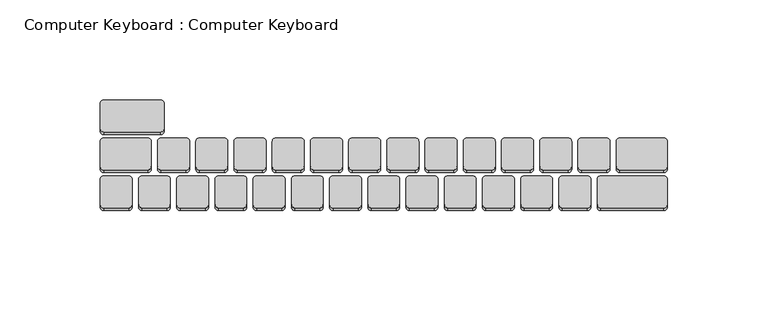
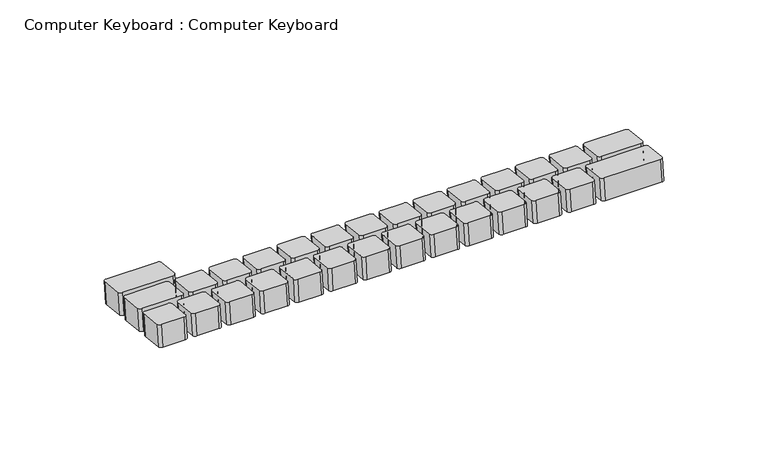
"""IFC4 building model written with IfcOpenShell, lengths in millimetres: proxy geometry, Computer Keyboard : Computer Keyboard."""

from ifc_helpers import new_model, si_unit, point, frame, frame_2d, origin, place, context, project, spatial, polyline, circle_curve, trimmed, segment, composite_curve, outline, extrude, source, transform, mapped, element, save


def computer_keyboard_computer_keyboard_917ad2fe(model_context):
    return source(origin(), model_context, "Body", "SweptSolid", [
        extrude(outline(composite_curve([segment(polyline([(-1.5875, 1.5875), (-1.5875, 30.1625)]), True, "CONTINUOUS"), segment(trimmed(circle_curve(frame_2d((0.0, 30.1625)), 1.5875), [point((-1.5875, 30.1625))], [point((0.0, 31.75))], False, "CARTESIAN"), True, "CONTINUOUS"), segment(polyline([(0.0, 31.75), (12.6999999, 31.75)]), True, "CONTINUOUS"), segment(trimmed(circle_curve(frame_2d((12.6999999, 30.1625)), 1.5875), [point((12.6999999, 31.75))], [point((14.2875, 30.1625))], False, "CARTESIAN"), True, "CONTINUOUS"), segment(polyline([(14.2875, 30.1625), (14.2875, 1.5875)]), True, "CONTINUOUS"), segment(trimmed(circle_curve(frame_2d((12.6999999, 1.5875)), 1.5875), [point((14.2875, 1.5875))], [point((12.6999999, 0.0))], False, "CARTESIAN"), True, "CONTINUOUS"), segment(polyline([(12.6999999, 0.0), (0.0, 0.0)]), True, "CONTINUOUS"), segment(trimmed(circle_curve(frame_2d((0.0, 1.5875)), 1.5875), [point((0.0, 0.0))], [point((-1.5875, 1.5875))], False, "CARTESIAN"), True, "CONTINUOUS")], self_intersect=False)), frame((-320.0625, 290.2002256, 586.8422036), z_axis=(0.0, 0.10653312363427676, 0.9943091539198078), x_axis=(0.0, 0.9943091539198078, -0.10653312363427676)), (0.0, 0.0, 1.0), 12.7),
        extrude(outline(composite_curve([segment(polyline([(-1.5875, 1.5875), (-1.5875, 23.8125)]), True, "CONTINUOUS"), segment(trimmed(circle_curve(frame_2d((0.0, 23.8125)), 1.5875), [point((-1.5875, 23.8125))], [point((0.0, 25.4))], False, "CARTESIAN"), True, "CONTINUOUS"), segment(polyline([(0.0, 25.4), (12.6999999, 25.4)]), True, "CONTINUOUS"), segment(trimmed(circle_curve(frame_2d((12.6999999, 23.8125)), 1.5875), [point((12.6999999, 25.4))], [point((14.2875, 23.8125))], False, "CARTESIAN"), True, "CONTINUOUS"), segment(polyline([(14.2875, 23.8125), (14.2875, 1.5875)]), True, "CONTINUOUS"), segment(trimmed(circle_curve(frame_2d((12.6999999, 1.5875)), 1.5875), [point((14.2875, 1.5875))], [point((12.6999999, 0.0))], False, "CARTESIAN"), True, "CONTINUOUS"), segment(polyline([(12.6999999, 0.0), (0.0, 0.0)]), True, "CONTINUOUS"), segment(trimmed(circle_curve(frame_2d((0.0, 1.5875)), 1.5875), [point((0.0, 0.0))], [point((-1.5875, 1.5875))], False, "CARTESIAN"), True, "CONTINUOUS")], self_intersect=False)), frame((-69.2375, 271.2586362, 588.8716596), z_axis=(0.0, 0.10653312363427676, 0.9943091539198078), x_axis=(0.0, 0.9943091539198078, -0.10653312363427676)), (0.0, 0.0, 1.0), 12.7),
        extrude(outline(composite_curve([segment(polyline([(-1.5875, 1.5875), (-1.5875, 14.2875)]), True, "CONTINUOUS"), segment(trimmed(circle_curve(frame_2d((0.0, 14.2875)), 1.5875), [point((-1.5875, 14.2875))], [point((0.0, 15.875))], False, "CARTESIAN"), True, "CONTINUOUS"), segment(polyline([(0.0, 15.875), (12.6999999, 15.875)]), True, "CONTINUOUS"), segment(trimmed(circle_curve(frame_2d((12.6999999, 14.2875)), 1.5875), [point((12.6999999, 15.875))], [point((14.2875, 14.2875))], False, "CARTESIAN"), True, "CONTINUOUS"), segment(polyline([(14.2875, 14.2875), (14.2875, 1.5875)]), True, "CONTINUOUS"), segment(trimmed(circle_curve(frame_2d((12.6999999, 1.5875)), 1.5875), [point((14.2875, 1.5875))], [point((12.6999999, 0.0))], False, "CARTESIAN"), True, "CONTINUOUS"), segment(polyline([(12.6999999, 0.0), (0.0, 0.0)]), True, "CONTINUOUS"), segment(trimmed(circle_curve(frame_2d((0.0, 1.5875)), 1.5875), [point((0.0, 0.0))], [point((-1.5875, 1.5875))], False, "CARTESIAN"), True, "CONTINUOUS")], self_intersect=False)), frame((-97.8125, 271.2586362, 588.8716596), z_axis=(0.0, 0.10653312363427676, 0.9943091539198078), x_axis=(0.0, 0.9943091539198078, -0.10653312363427676)), (0.0, 0.0, 1.0), 12.7),
        extrude(outline(composite_curve([segment(polyline([(-1.5875, 1.5875), (-1.5875, 14.2875)]), True, "CONTINUOUS"), segment(trimmed(circle_curve(frame_2d((0.0, 14.2875)), 1.5875), [point((-1.5875, 14.2875))], [point((0.0, 15.875))], False, "CARTESIAN"), True, "CONTINUOUS"), segment(polyline([(0.0, 15.875), (12.6999999, 15.875)]), True, "CONTINUOUS"), segment(trimmed(circle_curve(frame_2d((12.6999999, 14.2875)), 1.5875), [point((12.6999999, 15.875))], [point((14.2875, 14.2875))], False, "CARTESIAN"), True, "CONTINUOUS"), segment(polyline([(14.2875, 14.2875), (14.2875, 1.5875)]), True, "CONTINUOUS"), segment(trimmed(circle_curve(frame_2d((12.6999999, 1.5875)), 1.5875), [point((14.2875, 1.5875))], [point((12.6999999, 0.0))], False, "CARTESIAN"), True, "CONTINUOUS"), segment(polyline([(12.6999999, 0.0), (0.0, 0.0)]), True, "CONTINUOUS"), segment(trimmed(circle_curve(frame_2d((0.0, 1.5875)), 1.5875), [point((0.0, 0.0))], [point((-1.5875, 1.5875))], False, "CARTESIAN"), True, "CONTINUOUS")], self_intersect=False)), frame((-116.8625, 271.2586362, 588.8716596), z_axis=(0.0, 0.10653312363427676, 0.9943091539198078), x_axis=(0.0, 0.9943091539198078, -0.10653312363427676)), (0.0, 0.0, 1.0), 12.7),
        extrude(outline(composite_curve([segment(polyline([(-1.5875, 1.5875), (-1.5875, 14.2875)]), True, "CONTINUOUS"), segment(trimmed(circle_curve(frame_2d((0.0, 14.2875)), 1.5875), [point((-1.5875, 14.2875))], [point((0.0, 15.875))], False, "CARTESIAN"), True, "CONTINUOUS"), segment(polyline([(0.0, 15.875), (12.6999999, 15.875)]), True, "CONTINUOUS"), segment(trimmed(circle_curve(frame_2d((12.6999999, 14.2875)), 1.5875), [point((12.6999999, 15.875))], [point((14.2875, 14.2875))], False, "CARTESIAN"), True, "CONTINUOUS"), segment(polyline([(14.2875, 14.2875), (14.2875, 1.5875)]), True, "CONTINUOUS"), segment(trimmed(circle_curve(frame_2d((12.6999999, 1.5875)), 1.5875), [point((14.2875, 1.5875))], [point((12.6999999, 0.0))], False, "CARTESIAN"), True, "CONTINUOUS"), segment(polyline([(12.6999999, 0.0), (0.0, 0.0)]), True, "CONTINUOUS"), segment(trimmed(circle_curve(frame_2d((0.0, 1.5875)), 1.5875), [point((0.0, 0.0))], [point((-1.5875, 1.5875))], False, "CARTESIAN"), True, "CONTINUOUS")], self_intersect=False)), frame((-135.9125, 271.2586362, 588.8716596), z_axis=(0.0, 0.10653312363427676, 0.9943091539198078), x_axis=(0.0, 0.9943091539198078, -0.10653312363427676)), (0.0, 0.0, 1.0), 12.7),
        extrude(outline(composite_curve([segment(polyline([(-1.5875, 1.5875), (-1.5875, 14.2875)]), True, "CONTINUOUS"), segment(trimmed(circle_curve(frame_2d((0.0, 14.2875)), 1.5875), [point((-1.5875, 14.2875))], [point((0.0, 15.875))], False, "CARTESIAN"), True, "CONTINUOUS"), segment(polyline([(0.0, 15.875), (12.6999999, 15.875)]), True, "CONTINUOUS"), segment(trimmed(circle_curve(frame_2d((12.6999999, 14.2875)), 1.5875), [point((12.6999999, 15.875))], [point((14.2875, 14.2875))], False, "CARTESIAN"), True, "CONTINUOUS"), segment(polyline([(14.2875, 14.2875), (14.2875, 1.5875)]), True, "CONTINUOUS"), segment(trimmed(circle_curve(frame_2d((12.6999999, 1.5875)), 1.5875), [point((14.2875, 1.5875))], [point((12.6999999, 0.0))], False, "CARTESIAN"), True, "CONTINUOUS"), segment(polyline([(12.6999999, 0.0), (0.0, 0.0)]), True, "CONTINUOUS"), segment(trimmed(circle_curve(frame_2d((0.0, 1.5875)), 1.5875), [point((0.0, 0.0))], [point((-1.5875, 1.5875))], False, "CARTESIAN"), True, "CONTINUOUS")], self_intersect=False)), frame((-154.9625, 271.2586362, 588.8716596), z_axis=(0.0, 0.10653312363427676, 0.9943091539198078), x_axis=(0.0, 0.9943091539198078, -0.10653312363427676)), (0.0, 0.0, 1.0), 12.7),
        extrude(outline(composite_curve([segment(polyline([(-1.5875, 1.5875), (-1.5875, 14.2875)]), True, "CONTINUOUS"), segment(trimmed(circle_curve(frame_2d((0.0, 14.2875)), 1.5875), [point((-1.5875, 14.2875))], [point((0.0, 15.875))], False, "CARTESIAN"), True, "CONTINUOUS"), segment(polyline([(0.0, 15.875), (12.6999999, 15.875)]), True, "CONTINUOUS"), segment(trimmed(circle_curve(frame_2d((12.6999999, 14.2875)), 1.5875), [point((12.6999999, 15.875))], [point((14.2875, 14.2875))], False, "CARTESIAN"), True, "CONTINUOUS"), segment(polyline([(14.2875, 14.2875), (14.2875, 1.5875)]), True, "CONTINUOUS"), segment(trimmed(circle_curve(frame_2d((12.6999999, 1.5875)), 1.5875), [point((14.2875, 1.5875))], [point((12.6999999, 0.0))], False, "CARTESIAN"), True, "CONTINUOUS"), segment(polyline([(12.6999999, 0.0), (0.0, 0.0)]), True, "CONTINUOUS"), segment(trimmed(circle_curve(frame_2d((0.0, 1.5875)), 1.5875), [point((0.0, 0.0))], [point((-1.5875, 1.5875))], False, "CARTESIAN"), True, "CONTINUOUS")], self_intersect=False)), frame((-174.0125, 271.2586362, 588.8716596), z_axis=(0.0, 0.10653312363427676, 0.9943091539198078), x_axis=(0.0, 0.9943091539198078, -0.10653312363427676)), (0.0, 0.0, 1.0), 12.7),
        extrude(outline(composite_curve([segment(polyline([(-1.5875, 1.5875), (-1.5875, 14.2875)]), True, "CONTINUOUS"), segment(trimmed(circle_curve(frame_2d((0.0, 14.2875)), 1.5875), [point((-1.5875, 14.2875))], [point((0.0, 15.875))], False, "CARTESIAN"), True, "CONTINUOUS"), segment(polyline([(0.0, 15.875), (12.6999999, 15.875)]), True, "CONTINUOUS"), segment(trimmed(circle_curve(frame_2d((12.6999999, 14.2875)), 1.5875), [point((12.6999999, 15.875))], [point((14.2875, 14.2875))], False, "CARTESIAN"), True, "CONTINUOUS"), segment(polyline([(14.2875, 14.2875), (14.2875, 1.5875)]), True, "CONTINUOUS"), segment(trimmed(circle_curve(frame_2d((12.6999999, 1.5875)), 1.5875), [point((14.2875, 1.5875))], [point((12.6999999, 0.0))], False, "CARTESIAN"), True, "CONTINUOUS"), segment(polyline([(12.6999999, 0.0), (0.0, 0.0)]), True, "CONTINUOUS"), segment(trimmed(circle_curve(frame_2d((0.0, 1.5875)), 1.5875), [point((0.0, 0.0))], [point((-1.5875, 1.5875))], False, "CARTESIAN"), True, "CONTINUOUS")], self_intersect=False)), frame((-193.0625, 271.2586362, 588.8716596), z_axis=(0.0, 0.10653312363427676, 0.9943091539198078), x_axis=(0.0, 0.9943091539198078, -0.10653312363427676)), (0.0, 0.0, 1.0), 12.7),
        extrude(outline(composite_curve([segment(polyline([(-1.5875, 1.5875), (-1.5875, 14.2875)]), True, "CONTINUOUS"), segment(trimmed(circle_curve(frame_2d((0.0, 14.2875)), 1.5875), [point((-1.5875, 14.2875))], [point((0.0, 15.875))], False, "CARTESIAN"), True, "CONTINUOUS"), segment(polyline([(0.0, 15.875), (12.6999999, 15.875)]), True, "CONTINUOUS"), segment(trimmed(circle_curve(frame_2d((12.6999999, 14.2875)), 1.5875), [point((12.6999999, 15.875))], [point((14.2875, 14.2875))], False, "CARTESIAN"), True, "CONTINUOUS"), segment(polyline([(14.2875, 14.2875), (14.2875, 1.5875)]), True, "CONTINUOUS"), segment(trimmed(circle_curve(frame_2d((12.6999999, 1.5875)), 1.5875), [point((14.2875, 1.5875))], [point((12.6999999, 0.0))], False, "CARTESIAN"), True, "CONTINUOUS"), segment(polyline([(12.6999999, 0.0), (0.0, 0.0)]), True, "CONTINUOUS"), segment(trimmed(circle_curve(frame_2d((0.0, 1.5875)), 1.5875), [point((0.0, 0.0))], [point((-1.5875, 1.5875))], False, "CARTESIAN"), True, "CONTINUOUS")], self_intersect=False)), frame((-212.1125, 271.2586362, 588.8716596), z_axis=(0.0, 0.10653312363427676, 0.9943091539198078), x_axis=(0.0, 0.9943091539198078, -0.10653312363427676)), (0.0, 0.0, 1.0), 12.7),
        extrude(outline(composite_curve([segment(polyline([(-1.5875, 1.5875), (-1.5875, 14.2875)]), True, "CONTINUOUS"), segment(trimmed(circle_curve(frame_2d((0.0, 14.2875)), 1.5875), [point((-1.5875, 14.2875))], [point((0.0, 15.875))], False, "CARTESIAN"), True, "CONTINUOUS"), segment(polyline([(0.0, 15.875), (12.6999999, 15.875)]), True, "CONTINUOUS"), segment(trimmed(circle_curve(frame_2d((12.6999999, 14.2875)), 1.5875), [point((12.6999999, 15.875))], [point((14.2875, 14.2875))], False, "CARTESIAN"), True, "CONTINUOUS"), segment(polyline([(14.2875, 14.2875), (14.2875, 1.5875)]), True, "CONTINUOUS"), segment(trimmed(circle_curve(frame_2d((12.6999999, 1.5875)), 1.5875), [point((14.2875, 1.5875))], [point((12.6999999, 0.0))], False, "CARTESIAN"), True, "CONTINUOUS"), segment(polyline([(12.6999999, 0.0), (0.0, 0.0)]), True, "CONTINUOUS"), segment(trimmed(circle_curve(frame_2d((0.0, 1.5875)), 1.5875), [point((0.0, 0.0))], [point((-1.5875, 1.5875))], False, "CARTESIAN"), True, "CONTINUOUS")], self_intersect=False)), frame((-231.1625, 271.2586362, 588.8716596), z_axis=(0.0, 0.10653312363427676, 0.9943091539198078), x_axis=(0.0, 0.9943091539198078, -0.10653312363427676)), (0.0, 0.0, 1.0), 12.7),
        extrude(outline(composite_curve([segment(polyline([(-1.5875, 1.5875), (-1.5875, 14.2875)]), True, "CONTINUOUS"), segment(trimmed(circle_curve(frame_2d((0.0, 14.2875)), 1.5875), [point((-1.5875, 14.2875))], [point((0.0, 15.875))], False, "CARTESIAN"), True, "CONTINUOUS"), segment(polyline([(0.0, 15.875), (12.6999999, 15.875)]), True, "CONTINUOUS"), segment(trimmed(circle_curve(frame_2d((12.6999999, 14.2875)), 1.5875), [point((12.6999999, 15.875))], [point((14.2875, 14.2875))], False, "CARTESIAN"), True, "CONTINUOUS"), segment(polyline([(14.2875, 14.2875), (14.2875, 1.5875)]), True, "CONTINUOUS"), segment(trimmed(circle_curve(frame_2d((12.6999999, 1.5875)), 1.5875), [point((14.2875, 1.5875))], [point((12.6999999, 0.0))], False, "CARTESIAN"), True, "CONTINUOUS"), segment(polyline([(12.6999999, 0.0), (0.0, 0.0)]), True, "CONTINUOUS"), segment(trimmed(circle_curve(frame_2d((0.0, 1.5875)), 1.5875), [point((0.0, 0.0))], [point((-1.5875, 1.5875))], False, "CARTESIAN"), True, "CONTINUOUS")], self_intersect=False)), frame((-250.2125, 271.2586362, 588.8716596), z_axis=(0.0, 0.10653312363427676, 0.9943091539198078), x_axis=(0.0, 0.9943091539198078, -0.10653312363427676)), (0.0, 0.0, 1.0), 12.7),
        extrude(outline(composite_curve([segment(polyline([(-1.5875, 1.5875), (-1.5875, 14.2875)]), True, "CONTINUOUS"), segment(trimmed(circle_curve(frame_2d((0.0, 14.2875)), 1.5875), [point((-1.5875, 14.2875))], [point((0.0, 15.875))], False, "CARTESIAN"), True, "CONTINUOUS"), segment(polyline([(0.0, 15.875), (12.6999999, 15.875)]), True, "CONTINUOUS"), segment(trimmed(circle_curve(frame_2d((12.6999999, 14.2875)), 1.5875), [point((12.6999999, 15.875))], [point((14.2875, 14.2875))], False, "CARTESIAN"), True, "CONTINUOUS"), segment(polyline([(14.2875, 14.2875), (14.2875, 1.5875)]), True, "CONTINUOUS"), segment(trimmed(circle_curve(frame_2d((12.6999999, 1.5875)), 1.5875), [point((14.2875, 1.5875))], [point((12.6999999, 0.0))], False, "CARTESIAN"), True, "CONTINUOUS"), segment(polyline([(12.6999999, 0.0), (0.0, 0.0)]), True, "CONTINUOUS"), segment(trimmed(circle_curve(frame_2d((0.0, 1.5875)), 1.5875), [point((0.0, 0.0))], [point((-1.5875, 1.5875))], False, "CARTESIAN"), True, "CONTINUOUS")], self_intersect=False)), frame((-269.2625, 271.2586362, 588.8716596), z_axis=(0.0, 0.10653312363427676, 0.9943091539198078), x_axis=(0.0, 0.9943091539198078, -0.10653312363427676)), (0.0, 0.0, 1.0), 12.7),
        extrude(outline(composite_curve([segment(polyline([(-1.5875, 1.5875), (-1.5875, 14.2875)]), True, "CONTINUOUS"), segment(trimmed(circle_curve(frame_2d((0.0, 14.2875)), 1.5875), [point((-1.5875, 14.2875))], [point((0.0, 15.875))], False, "CARTESIAN"), True, "CONTINUOUS"), segment(polyline([(0.0, 15.875), (12.6999999, 15.875)]), True, "CONTINUOUS"), segment(trimmed(circle_curve(frame_2d((12.6999999, 14.2875)), 1.5875), [point((12.6999999, 15.875))], [point((14.2875, 14.2875))], False, "CARTESIAN"), True, "CONTINUOUS"), segment(polyline([(14.2875, 14.2875), (14.2875, 1.5875)]), True, "CONTINUOUS"), segment(trimmed(circle_curve(frame_2d((12.6999999, 1.5875)), 1.5875), [point((14.2875, 1.5875))], [point((12.6999999, 0.0))], False, "CARTESIAN"), True, "CONTINUOUS"), segment(polyline([(12.6999999, 0.0), (0.0, 0.0)]), True, "CONTINUOUS"), segment(trimmed(circle_curve(frame_2d((0.0, 1.5875)), 1.5875), [point((0.0, 0.0))], [point((-1.5875, 1.5875))], False, "CARTESIAN"), True, "CONTINUOUS")], self_intersect=False)), frame((-288.3125, 271.2586362, 588.8716596), z_axis=(0.0, 0.10653312363427676, 0.9943091539198078), x_axis=(0.0, 0.9943091539198078, -0.10653312363427676)), (0.0, 0.0, 1.0), 12.7),
        extrude(outline(composite_curve([segment(polyline([(-1.5875, 1.5875), (-1.5875, 14.2875)]), True, "CONTINUOUS"), segment(trimmed(circle_curve(frame_2d((0.0, 14.2875)), 1.5875), [point((-1.5875, 14.2875))], [point((0.0, 15.875))], False, "CARTESIAN"), True, "CONTINUOUS"), segment(polyline([(0.0, 15.875), (12.6999999, 15.875)]), True, "CONTINUOUS"), segment(trimmed(circle_curve(frame_2d((12.6999999, 14.2875)), 1.5875), [point((12.6999999, 15.875))], [point((14.2875, 14.2875))], False, "CARTESIAN"), True, "CONTINUOUS"), segment(polyline([(14.2875, 14.2875), (14.2875, 1.5875)]), True, "CONTINUOUS"), segment(trimmed(circle_curve(frame_2d((12.6999999, 1.5875)), 1.5875), [point((14.2875, 1.5875))], [point((12.6999999, 0.0))], False, "CARTESIAN"), True, "CONTINUOUS"), segment(polyline([(12.6999999, 0.0), (0.0, 0.0)]), True, "CONTINUOUS"), segment(trimmed(circle_curve(frame_2d((0.0, 1.5875)), 1.5875), [point((0.0, 0.0))], [point((-1.5875, 1.5875))], False, "CARTESIAN"), True, "CONTINUOUS")], self_intersect=False)), frame((-307.3625, 271.2586362, 588.8716596), z_axis=(0.0, 0.10653312363427676, 0.9943091539198078), x_axis=(0.0, 0.9943091539198078, -0.10653312363427676)), (0.0, 0.0, 1.0), 12.7),
        extrude(outline(composite_curve([segment(polyline([(-1.5875, 1.5875), (-1.5875, 23.8125)]), True, "CONTINUOUS"), segment(trimmed(circle_curve(frame_2d((0.0, 23.8125)), 1.5875), [point((-1.5875, 23.8125))], [point((0.0, 25.4))], False, "CARTESIAN"), True, "CONTINUOUS"), segment(polyline([(0.0, 25.4), (12.6999999, 25.4)]), True, "CONTINUOUS"), segment(trimmed(circle_curve(frame_2d((12.6999999, 23.8125)), 1.5875), [point((12.6999999, 25.4))], [point((14.2875, 23.8125))], False, "CARTESIAN"), True, "CONTINUOUS"), segment(polyline([(14.2875, 23.8125), (14.2875, 1.5875)]), True, "CONTINUOUS"), segment(trimmed(circle_curve(frame_2d((12.6999999, 1.5875)), 1.5875), [point((14.2875, 1.5875))], [point((12.6999999, 0.0))], False, "CARTESIAN"), True, "CONTINUOUS"), segment(polyline([(12.6999999, 0.0), (0.0, 0.0)]), True, "CONTINUOUS"), segment(trimmed(circle_curve(frame_2d((0.0, 1.5875)), 1.5875), [point((0.0, 0.0))], [point((-1.5875, 1.5875))], False, "CARTESIAN"), True, "CONTINUOUS")], self_intersect=False)), frame((-326.4125, 271.2586362, 588.8716596), z_axis=(0.0, 0.10653312363427676, 0.9943091539198078), x_axis=(0.0, 0.9943091539198078, -0.10653312363427676)), (0.0, 0.0, 1.0), 12.7),
        extrude(outline(composite_curve([segment(polyline([(-1.5875, 1.5875), (-1.5875, 33.3375)]), True, "CONTINUOUS"), segment(trimmed(circle_curve(frame_2d((0.0, 33.3375)), 1.5875), [point((-1.5875, 33.3375))], [point((0.0, 34.925))], False, "CARTESIAN"), True, "CONTINUOUS"), segment(polyline([(0.0, 34.925), (12.7, 34.925)]), True, "CONTINUOUS"), segment(trimmed(circle_curve(frame_2d((12.7, 33.3375)), 1.5875), [point((12.7, 34.925))], [point((14.2875, 33.3375))], False, "CARTESIAN"), True, "CONTINUOUS"), segment(polyline([(14.2875, 33.3375), (14.2875, 1.5875)]), True, "CONTINUOUS"), segment(trimmed(circle_curve(frame_2d((12.7, 1.5875)), 1.5875), [point((14.2875, 1.5875))], [point((12.7, 0.0))], False, "CARTESIAN"), True, "CONTINUOUS"), segment(polyline([(12.7, 0.0), (0.0, 0.0)]), True, "CONTINUOUS"), segment(trimmed(circle_curve(frame_2d((0.0, 1.5875)), 1.5875), [point((0.0, 0.0))], [point((-1.5875, 1.5875))], False, "CARTESIAN"), True, "CONTINUOUS")], self_intersect=False)), frame((-69.2375, 252.3170468, 590.9011156), z_axis=(0.0, 0.10653312363427676, 0.9943091539198078), x_axis=(0.0, 0.9943091539198078, -0.10653312363427676)), (0.0, 0.0, 1.0), 12.7),
        extrude(outline(composite_curve([segment(polyline([(-1.5875, 1.5875), (-1.5875, 14.2875)]), True, "CONTINUOUS"), segment(trimmed(circle_curve(frame_2d((0.0, 14.2875)), 1.5875), [point((-1.5875, 14.2875))], [point((0.0, 15.875))], False, "CARTESIAN"), True, "CONTINUOUS"), segment(polyline([(0.0, 15.875), (12.7, 15.875)]), True, "CONTINUOUS"), segment(trimmed(circle_curve(frame_2d((12.7, 14.2875)), 1.5875), [point((12.7, 15.875))], [point((14.2875, 14.2875))], False, "CARTESIAN"), True, "CONTINUOUS"), segment(polyline([(14.2875, 14.2875), (14.2875, 1.5875)]), True, "CONTINUOUS"), segment(trimmed(circle_curve(frame_2d((12.7, 1.5875)), 1.5875), [point((14.2875, 1.5875))], [point((12.7, 0.0))], False, "CARTESIAN"), True, "CONTINUOUS"), segment(polyline([(12.7, 0.0), (0.0, 0.0)]), True, "CONTINUOUS"), segment(trimmed(circle_curve(frame_2d((0.0, 1.5875)), 1.5875), [point((0.0, 0.0))], [point((-1.5875, 1.5875))], False, "CARTESIAN"), True, "CONTINUOUS")], self_intersect=False)), frame((-107.3375, 252.3170468, 590.9011156), z_axis=(0.0, 0.10653312363427676, 0.9943091539198078), x_axis=(0.0, 0.9943091539198078, -0.10653312363427676)), (0.0, 0.0, 1.0), 12.7),
        extrude(outline(composite_curve([segment(polyline([(-1.5875, 1.5875), (-1.5875, 14.2875)]), True, "CONTINUOUS"), segment(trimmed(circle_curve(frame_2d((0.0, 14.2875)), 1.5875), [point((-1.5875, 14.2875))], [point((0.0, 15.875))], False, "CARTESIAN"), True, "CONTINUOUS"), segment(polyline([(0.0, 15.875), (12.7, 15.875)]), True, "CONTINUOUS"), segment(trimmed(circle_curve(frame_2d((12.7, 14.2875)), 1.5875), [point((12.7, 15.875))], [point((14.2875, 14.2875))], False, "CARTESIAN"), True, "CONTINUOUS"), segment(polyline([(14.2875, 14.2875), (14.2875, 1.5875)]), True, "CONTINUOUS"), segment(trimmed(circle_curve(frame_2d((12.7, 1.5875)), 1.5875), [point((14.2875, 1.5875))], [point((12.7, 0.0))], False, "CARTESIAN"), True, "CONTINUOUS"), segment(polyline([(12.7, 0.0), (0.0, 0.0)]), True, "CONTINUOUS"), segment(trimmed(circle_curve(frame_2d((0.0, 1.5875)), 1.5875), [point((0.0, 0.0))], [point((-1.5875, 1.5875))], False, "CARTESIAN"), True, "CONTINUOUS")], self_intersect=False)), frame((-126.3875, 252.3170468, 590.9011156), z_axis=(0.0, 0.10653312363427676, 0.9943091539198078), x_axis=(0.0, 0.9943091539198078, -0.10653312363427676)), (0.0, 0.0, 1.0), 12.7),
        extrude(outline(composite_curve([segment(polyline([(-1.5875, 1.5875), (-1.5875, 14.2875)]), True, "CONTINUOUS"), segment(trimmed(circle_curve(frame_2d((0.0, 14.2875)), 1.5875), [point((-1.5875, 14.2875))], [point((0.0, 15.875))], False, "CARTESIAN"), True, "CONTINUOUS"), segment(polyline([(0.0, 15.875), (12.7, 15.875)]), True, "CONTINUOUS"), segment(trimmed(circle_curve(frame_2d((12.7, 14.2875)), 1.5875), [point((12.7, 15.875))], [point((14.2875, 14.2875))], False, "CARTESIAN"), True, "CONTINUOUS"), segment(polyline([(14.2875, 14.2875), (14.2875, 1.5875)]), True, "CONTINUOUS"), segment(trimmed(circle_curve(frame_2d((12.7, 1.5875)), 1.5875), [point((14.2875, 1.5875))], [point((12.7, 0.0))], False, "CARTESIAN"), True, "CONTINUOUS"), segment(polyline([(12.7, 0.0), (0.0, 0.0)]), True, "CONTINUOUS"), segment(trimmed(circle_curve(frame_2d((0.0, 1.5875)), 1.5875), [point((0.0, 0.0))], [point((-1.5875, 1.5875))], False, "CARTESIAN"), True, "CONTINUOUS")], self_intersect=False)), frame((-145.4375, 252.3170468, 590.9011156), z_axis=(0.0, 0.10653312363427676, 0.9943091539198078), x_axis=(0.0, 0.9943091539198078, -0.10653312363427676)), (0.0, 0.0, 1.0), 12.7),
        extrude(outline(composite_curve([segment(polyline([(-1.5875, 1.5875), (-1.5875, 14.2875)]), True, "CONTINUOUS"), segment(trimmed(circle_curve(frame_2d((0.0, 14.2875)), 1.5875), [point((-1.5875, 14.2875))], [point((0.0, 15.875))], False, "CARTESIAN"), True, "CONTINUOUS"), segment(polyline([(0.0, 15.875), (12.7, 15.875)]), True, "CONTINUOUS"), segment(trimmed(circle_curve(frame_2d((12.7, 14.2875)), 1.5875), [point((12.7, 15.875))], [point((14.2875, 14.2875))], False, "CARTESIAN"), True, "CONTINUOUS"), segment(polyline([(14.2875, 14.2875), (14.2875, 1.5875)]), True, "CONTINUOUS"), segment(trimmed(circle_curve(frame_2d((12.7, 1.5875)), 1.5875), [point((14.2875, 1.5875))], [point((12.7, 0.0))], False, "CARTESIAN"), True, "CONTINUOUS"), segment(polyline([(12.7, 0.0), (0.0, 0.0)]), True, "CONTINUOUS"), segment(trimmed(circle_curve(frame_2d((0.0, 1.5875)), 1.5875), [point((0.0, 0.0))], [point((-1.5875, 1.5875))], False, "CARTESIAN"), True, "CONTINUOUS")], self_intersect=False)), frame((-164.4875, 252.3170468, 590.9011156), z_axis=(0.0, 0.10653312363427676, 0.9943091539198078), x_axis=(0.0, 0.9943091539198078, -0.10653312363427676)), (0.0, 0.0, 1.0), 12.7),
        extrude(outline(composite_curve([segment(polyline([(-1.5875, 1.5875), (-1.5875, 14.2875)]), True, "CONTINUOUS"), segment(trimmed(circle_curve(frame_2d((0.0, 14.2875)), 1.5875), [point((-1.5875, 14.2875))], [point((0.0, 15.875))], False, "CARTESIAN"), True, "CONTINUOUS"), segment(polyline([(0.0, 15.875), (12.7, 15.875)]), True, "CONTINUOUS"), segment(trimmed(circle_curve(frame_2d((12.7, 14.2875)), 1.5875), [point((12.7, 15.875))], [point((14.2875, 14.2875))], False, "CARTESIAN"), True, "CONTINUOUS"), segment(polyline([(14.2875, 14.2875), (14.2875, 1.5875)]), True, "CONTINUOUS"), segment(trimmed(circle_curve(frame_2d((12.7, 1.5875)), 1.5875), [point((14.2875, 1.5875))], [point((12.7, 0.0))], False, "CARTESIAN"), True, "CONTINUOUS"), segment(polyline([(12.7, 0.0), (0.0, 0.0)]), True, "CONTINUOUS"), segment(trimmed(circle_curve(frame_2d((0.0, 1.5875)), 1.5875), [point((0.0, 0.0))], [point((-1.5875, 1.5875))], False, "CARTESIAN"), True, "CONTINUOUS")], self_intersect=False)), frame((-183.5375, 252.3170468, 590.9011156), z_axis=(0.0, 0.10653312363427676, 0.9943091539198078), x_axis=(0.0, 0.9943091539198078, -0.10653312363427676)), (0.0, 0.0, 1.0), 12.7),
        extrude(outline(composite_curve([segment(polyline([(-1.5875, 1.5875), (-1.5875, 14.2875)]), True, "CONTINUOUS"), segment(trimmed(circle_curve(frame_2d((0.0, 14.2875)), 1.5875), [point((-1.5875, 14.2875))], [point((0.0, 15.875))], False, "CARTESIAN"), True, "CONTINUOUS"), segment(polyline([(0.0, 15.875), (12.7, 15.875)]), True, "CONTINUOUS"), segment(trimmed(circle_curve(frame_2d((12.7, 14.2875)), 1.5875), [point((12.7, 15.875))], [point((14.2875, 14.2875))], False, "CARTESIAN"), True, "CONTINUOUS"), segment(polyline([(14.2875, 14.2875), (14.2875, 1.5875)]), True, "CONTINUOUS"), segment(trimmed(circle_curve(frame_2d((12.7, 1.5875)), 1.5875), [point((14.2875, 1.5875))], [point((12.7, 0.0))], False, "CARTESIAN"), True, "CONTINUOUS"), segment(polyline([(12.7, 0.0), (0.0, 0.0)]), True, "CONTINUOUS"), segment(trimmed(circle_curve(frame_2d((0.0, 1.5875)), 1.5875), [point((0.0, 0.0))], [point((-1.5875, 1.5875))], False, "CARTESIAN"), True, "CONTINUOUS")], self_intersect=False)), frame((-202.5875, 252.3170468, 590.9011156), z_axis=(0.0, 0.10653312363427676, 0.9943091539198078), x_axis=(0.0, 0.9943091539198078, -0.10653312363427676)), (0.0, 0.0, 1.0), 12.7),
        extrude(outline(composite_curve([segment(polyline([(-1.5875, 1.5875), (-1.5875, 14.2875)]), True, "CONTINUOUS"), segment(trimmed(circle_curve(frame_2d((0.0, 14.2875)), 1.5875), [point((-1.5875, 14.2875))], [point((0.0, 15.875))], False, "CARTESIAN"), True, "CONTINUOUS"), segment(polyline([(0.0, 15.875), (12.7, 15.875)]), True, "CONTINUOUS"), segment(trimmed(circle_curve(frame_2d((12.7, 14.2875)), 1.5875), [point((12.7, 15.875))], [point((14.2875, 14.2875))], False, "CARTESIAN"), True, "CONTINUOUS"), segment(polyline([(14.2875, 14.2875), (14.2875, 1.5875)]), True, "CONTINUOUS"), segment(trimmed(circle_curve(frame_2d((12.7, 1.5875)), 1.5875), [point((14.2875, 1.5875))], [point((12.7, 0.0))], False, "CARTESIAN"), True, "CONTINUOUS"), segment(polyline([(12.7, 0.0), (0.0, 0.0)]), True, "CONTINUOUS"), segment(trimmed(circle_curve(frame_2d((0.0, 1.5875)), 1.5875), [point((0.0, 0.0))], [point((-1.5875, 1.5875))], False, "CARTESIAN"), True, "CONTINUOUS")], self_intersect=False)), frame((-221.6375, 252.3170468, 590.9011156), z_axis=(0.0, 0.10653312363427676, 0.9943091539198078), x_axis=(0.0, 0.9943091539198078, -0.10653312363427676)), (0.0, 0.0, 1.0), 12.7),
        extrude(outline(composite_curve([segment(polyline([(-1.5875, 1.5875), (-1.5875, 14.2875)]), True, "CONTINUOUS"), segment(trimmed(circle_curve(frame_2d((0.0, 14.2875)), 1.5875), [point((-1.5875, 14.2875))], [point((0.0, 15.875))], False, "CARTESIAN"), True, "CONTINUOUS"), segment(polyline([(0.0, 15.875), (12.7, 15.875)]), True, "CONTINUOUS"), segment(trimmed(circle_curve(frame_2d((12.7, 14.2875)), 1.5875), [point((12.7, 15.875))], [point((14.2875, 14.2875))], False, "CARTESIAN"), True, "CONTINUOUS"), segment(polyline([(14.2875, 14.2875), (14.2875, 1.5875)]), True, "CONTINUOUS"), segment(trimmed(circle_curve(frame_2d((12.7, 1.5875)), 1.5875), [point((14.2875, 1.5875))], [point((12.7, 0.0))], False, "CARTESIAN"), True, "CONTINUOUS"), segment(polyline([(12.7, 0.0), (0.0, 0.0)]), True, "CONTINUOUS"), segment(trimmed(circle_curve(frame_2d((0.0, 1.5875)), 1.5875), [point((0.0, 0.0))], [point((-1.5875, 1.5875))], False, "CARTESIAN"), True, "CONTINUOUS")], self_intersect=False)), frame((-240.6875, 252.3170468, 590.9011156), z_axis=(0.0, 0.10653312363427676, 0.9943091539198078), x_axis=(0.0, 0.9943091539198078, -0.10653312363427676)), (0.0, 0.0, 1.0), 12.7),
        extrude(outline(composite_curve([segment(polyline([(-1.5875, 1.5875), (-1.5875, 14.2875)]), True, "CONTINUOUS"), segment(trimmed(circle_curve(frame_2d((0.0, 14.2875)), 1.5875), [point((-1.5875, 14.2875))], [point((0.0, 15.875))], False, "CARTESIAN"), True, "CONTINUOUS"), segment(polyline([(0.0, 15.875), (12.7, 15.875)]), True, "CONTINUOUS"), segment(trimmed(circle_curve(frame_2d((12.7, 14.2875)), 1.5875), [point((12.7, 15.875))], [point((14.2875, 14.2875))], False, "CARTESIAN"), True, "CONTINUOUS"), segment(polyline([(14.2875, 14.2875), (14.2875, 1.5875)]), True, "CONTINUOUS"), segment(trimmed(circle_curve(frame_2d((12.7, 1.5875)), 1.5875), [point((14.2875, 1.5875))], [point((12.7, 0.0))], False, "CARTESIAN"), True, "CONTINUOUS"), segment(polyline([(12.7, 0.0), (0.0, 0.0)]), True, "CONTINUOUS"), segment(trimmed(circle_curve(frame_2d((0.0, 1.5875)), 1.5875), [point((0.0, 0.0))], [point((-1.5875, 1.5875))], False, "CARTESIAN"), True, "CONTINUOUS")], self_intersect=False)), frame((-259.7375, 252.3170468, 590.9011156), z_axis=(0.0, 0.10653312363427676, 0.9943091539198078), x_axis=(0.0, 0.9943091539198078, -0.10653312363427676)), (0.0, 0.0, 1.0), 12.7),
        extrude(outline(composite_curve([segment(polyline([(-1.5875, 1.5875), (-1.5875, 14.2875)]), True, "CONTINUOUS"), segment(trimmed(circle_curve(frame_2d((0.0, 14.2875)), 1.5875), [point((-1.5875, 14.2875))], [point((0.0, 15.875))], False, "CARTESIAN"), True, "CONTINUOUS"), segment(polyline([(0.0, 15.875), (12.7, 15.875)]), True, "CONTINUOUS"), segment(trimmed(circle_curve(frame_2d((12.7, 14.2875)), 1.5875), [point((12.7, 15.875))], [point((14.2875, 14.2875))], False, "CARTESIAN"), True, "CONTINUOUS"), segment(polyline([(14.2875, 14.2875), (14.2875, 1.5875)]), True, "CONTINUOUS"), segment(trimmed(circle_curve(frame_2d((12.7, 1.5875)), 1.5875), [point((14.2875, 1.5875))], [point((12.7, 0.0))], False, "CARTESIAN"), True, "CONTINUOUS"), segment(polyline([(12.7, 0.0), (0.0, 0.0)]), True, "CONTINUOUS"), segment(trimmed(circle_curve(frame_2d((0.0, 1.5875)), 1.5875), [point((0.0, 0.0))], [point((-1.5875, 1.5875))], False, "CARTESIAN"), True, "CONTINUOUS")], self_intersect=False)), frame((-278.7875, 252.3170468, 590.9011156), z_axis=(0.0, 0.10653312363427676, 0.9943091539198078), x_axis=(0.0, 0.9943091539198078, -0.10653312363427676)), (0.0, 0.0, 1.0), 12.7),
        extrude(outline(composite_curve([segment(polyline([(-1.5875, 1.5875), (-1.5875, 14.2875)]), True, "CONTINUOUS"), segment(trimmed(circle_curve(frame_2d((0.0, 14.2875)), 1.5875), [point((-1.5875, 14.2875))], [point((0.0, 15.875))], False, "CARTESIAN"), True, "CONTINUOUS"), segment(polyline([(0.0, 15.875), (12.7, 15.875)]), True, "CONTINUOUS"), segment(trimmed(circle_curve(frame_2d((12.7, 14.2875)), 1.5875), [point((12.7, 15.875))], [point((14.2875, 14.2875))], False, "CARTESIAN"), True, "CONTINUOUS"), segment(polyline([(14.2875, 14.2875), (14.2875, 1.5875)]), True, "CONTINUOUS"), segment(trimmed(circle_curve(frame_2d((12.7, 1.5875)), 1.5875), [point((14.2875, 1.5875))], [point((12.7, 0.0))], False, "CARTESIAN"), True, "CONTINUOUS"), segment(polyline([(12.7, 0.0), (0.0, 0.0)]), True, "CONTINUOUS"), segment(trimmed(circle_curve(frame_2d((0.0, 1.5875)), 1.5875), [point((0.0, 0.0))], [point((-1.5875, 1.5875))], False, "CARTESIAN"), True, "CONTINUOUS")], self_intersect=False)), frame((-297.8375, 252.3170468, 590.9011156), z_axis=(0.0, 0.10653312363427676, 0.9943091539198078), x_axis=(0.0, 0.9943091539198078, -0.10653312363427676)), (0.0, 0.0, 1.0), 12.7),
        extrude(outline(composite_curve([segment(polyline([(-1.5875, 1.5875), (-1.5875, 14.2875)]), True, "CONTINUOUS"), segment(trimmed(circle_curve(frame_2d((0.0, 14.2875)), 1.5875), [point((-1.5875, 14.2875))], [point((0.0, 15.875))], False, "CARTESIAN"), True, "CONTINUOUS"), segment(polyline([(0.0, 15.875), (12.7, 15.875)]), True, "CONTINUOUS"), segment(trimmed(circle_curve(frame_2d((12.7, 14.2875)), 1.5875), [point((12.7, 15.875))], [point((14.2875, 14.2875))], False, "CARTESIAN"), True, "CONTINUOUS"), segment(polyline([(14.2875, 14.2875), (14.2875, 1.5875)]), True, "CONTINUOUS"), segment(trimmed(circle_curve(frame_2d((12.7, 1.5875)), 1.5875), [point((14.2875, 1.5875))], [point((12.7, 0.0))], False, "CARTESIAN"), True, "CONTINUOUS"), segment(polyline([(12.7, 0.0), (0.0, 0.0)]), True, "CONTINUOUS"), segment(trimmed(circle_curve(frame_2d((0.0, 1.5875)), 1.5875), [point((0.0, 0.0))], [point((-1.5875, 1.5875))], False, "CARTESIAN"), True, "CONTINUOUS")], self_intersect=False)), frame((-316.8875, 252.3170468, 590.9011156), z_axis=(0.0, 0.10653312363427676, 0.9943091539198078), x_axis=(0.0, 0.9943091539198078, -0.10653312363427676)), (0.0, 0.0, 1.0), 12.7),
        extrude(outline(composite_curve([segment(polyline([(-1.5875, 1.5875), (-1.5875, 14.2875)]), True, "CONTINUOUS"), segment(trimmed(circle_curve(frame_2d((0.0, 14.2875)), 1.5875), [point((-1.5875, 14.2875))], [point((0.0, 15.875))], False, "CARTESIAN"), True, "CONTINUOUS"), segment(polyline([(0.0, 15.875), (12.7, 15.875)]), True, "CONTINUOUS"), segment(trimmed(circle_curve(frame_2d((12.7, 14.2875)), 1.5875), [point((12.7, 15.875))], [point((14.2875, 14.2875))], False, "CARTESIAN"), True, "CONTINUOUS"), segment(polyline([(14.2875, 14.2875), (14.2875, 1.5875)]), True, "CONTINUOUS"), segment(trimmed(circle_curve(frame_2d((12.7, 1.5875)), 1.5875), [point((14.2875, 1.5875))], [point((12.7, 0.0))], False, "CARTESIAN"), True, "CONTINUOUS"), segment(polyline([(12.7, 0.0), (0.0, 0.0)]), True, "CONTINUOUS"), segment(trimmed(circle_curve(frame_2d((0.0, 1.5875)), 1.5875), [point((0.0, 0.0))], [point((-1.5875, 1.5875))], False, "CARTESIAN"), True, "CONTINUOUS")], self_intersect=False)), frame((-335.9375, 252.3170468, 590.9011156), z_axis=(0.0, 0.10653312363427676, 0.9943091539198078), x_axis=(0.0, 0.9943091539198078, -0.10653312363427676)), (0.0, 0.0, 1.0), 12.7),
    ])


if __name__ == "__main__":
    model = new_model("IFC4")
    model_context = context("Model", 3, world=origin())
    ifc_project = project(units=[si_unit("LENGTHUNIT", "METRE", prefix="MILLI")], contexts=[model_context])
    site = spatial("IfcSite", under=ifc_project)
    building = spatial("IfcBuilding", under=site)
    placement = place(None, origin())
    computer_keyboard_computer_keyboard_shape = computer_keyboard_computer_keyboard_917ad2fe(model_context)
    element("IfcBuildingElementProxy", 1, Name="Computer Keyboard : Computer Keyboard", ObjectType="Computer Keyboard : Computer Keyboard", at=placement, inside=building, context=model_context, shape_type="MappedRepresentation", body=[
        mapped(computer_keyboard_computer_keyboard_shape, transform((0.0, 0.0, 0.0), x_axis=(1.0, 0.0, 0.0), y_axis=(0.0, 1.0, 0.0), z_axis=(0.0, 0.0, 1.0))),
    ])
    save(model, "model.ifc")
